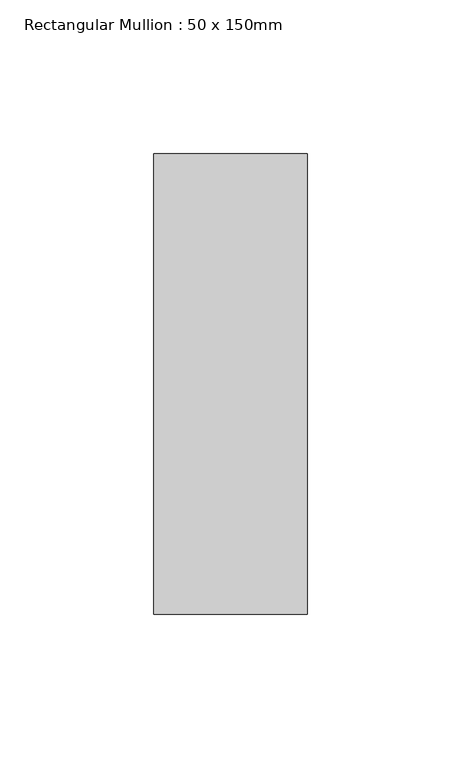
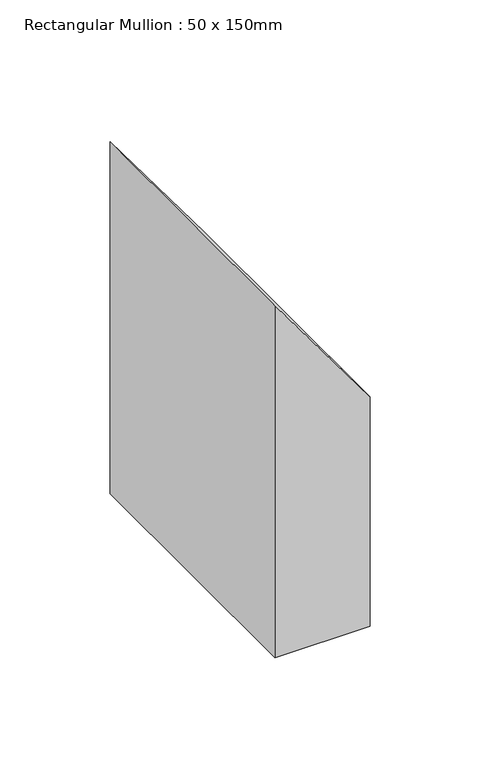
"""IFC4 building model written with IfcOpenShell, lengths in millimetres: member geometry, Rectangular Mullion : 50 x 150mm."""

from ifc_helpers import new_model, si_unit, frame, origin, place, context, project, spatial, polyline, outline, extrude, source, transform, mapped, element, save


def rectangular_mullion_50_x_150mm_e9235516(model_context):
    return source(origin(), model_context, "Body", "SweptSolid", [
        extrude(outline(polyline([(-118.3999384, 25.0), (-50.4028894, -25.0), (-245.8697543, -25.0), (-245.8697543, 25.0), (-118.3999384, 25.0)])), frame((0.0, -75.0, 0.0), z_axis=(0.0, 1.0, 0.0), x_axis=(0.0, 0.0, 1.0)), (0.0, 0.0, 1.0), 150.0),
    ])


if __name__ == "__main__":
    model = new_model("IFC4")
    model_context = context("Model", 3, world=origin())
    ifc_project = project(units=[si_unit("LENGTHUNIT", "METRE", prefix="MILLI")], contexts=[model_context])
    site = spatial("IfcSite", under=ifc_project)
    building = spatial("IfcBuilding", under=site)
    placement = place(None, origin())
    rectangular_mullion_50_x_150mm_shape = rectangular_mullion_50_x_150mm_e9235516(model_context)
    element("IfcMember", 1, ObjectType="Rectangular Mullion : 50 x 150mm", at=placement, inside=building, context=model_context, shape_type="MappedRepresentation", body=[
        mapped(rectangular_mullion_50_x_150mm_shape, transform((0.0, 0.0, 0.0), x_axis=(1.0, 0.0, 0.0), y_axis=(0.0, 1.0, 0.0), z_axis=(0.0, 0.0, 1.0))),
    ])
    save(model, "model.ifc")
